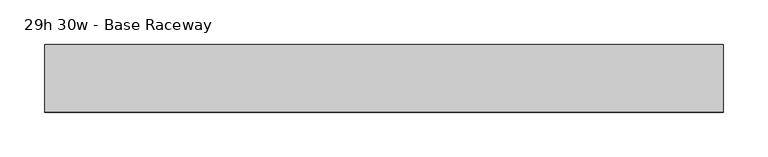
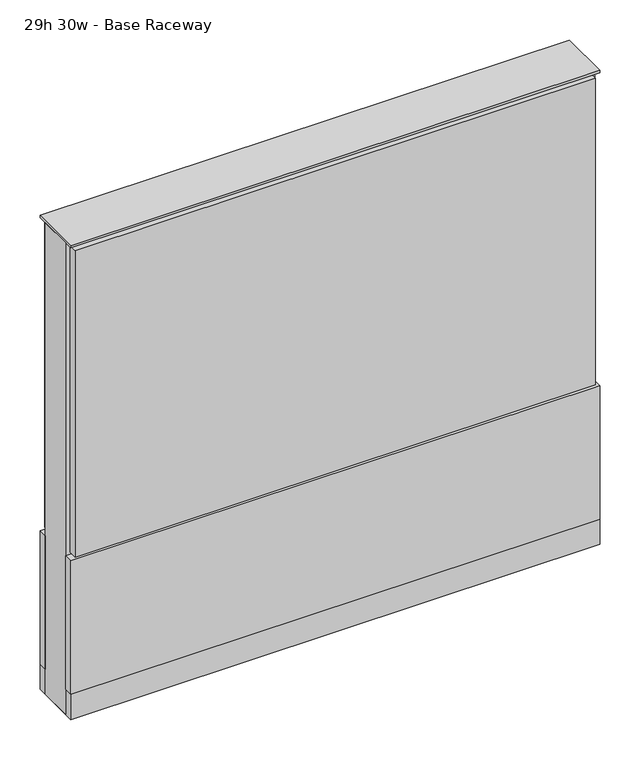
"""IFC4 building model written with IfcOpenShell, lengths in millimetres: furniture geometry, 29h 30w - Base Raceway."""

from ifc_helpers import new_model, si_unit, point, frame, frame_2d, origin, origin_with_axes, place, context, project, spatial, polyline, circle_curve, trimmed, segment, composite_curve, outline, extrude, source, transform, mapped, element, save


def furniture_29h_30w_base_raceway_bdde2eea(model_context):
    return source(origin(), model_context, "Body", "SweptSolid", [
        extrude(outline(composite_curve([segment(trimmed(circle_curve(frame_2d((307.2402902, 0.0)), 12.7), [point((294.5402902, 0.0))], [point((319.9402902, 0.0))], False, "CARTESIAN"), True, "CONTINUOUS"), segment(trimmed(circle_curve(frame_2d((307.2402902, 0.0)), 12.7), [point((319.9402902, 0.0))], [point((294.5402902, 0.0))], False, "CARTESIAN"), True, "CONTINUOUS")], self_intersect=False)), origin_with_axes(), (0.0, 0.0, 1.0), 12.7),
        extrude(outline(composite_curve([segment(trimmed(circle_curve(frame_2d((-302.3597098, 0.0)), 12.7), [point((-315.0597098, 0.0))], [point((-289.6597098, 0.0))], False, "CARTESIAN"), True, "CONTINUOUS"), segment(trimmed(circle_curve(frame_2d((-302.3597098, 0.0)), 12.7), [point((-289.6597098, 0.0))], [point((-315.0597098, 0.0))], False, "CARTESIAN"), True, "CONTINUOUS")], self_intersect=False)), origin_with_axes(), (0.0, 0.0, 1.0), 12.7),
        extrude(outline(polyline([(377.0902902, 38.1), (377.0902902, 25.4), (-372.2097098, 25.4), (-372.2097098, 38.1), (377.0902902, 38.1)])), frame((0.0, 0.0, 257.175), z_axis=(0.0, 0.0, 1.0), x_axis=(1.0, 0.0, 0.0)), (0.0, 0.0, 1.0), 466.725),
        extrude(outline(polyline([(383.4402902, 38.1), (383.4402902, 25.4), (-378.5597098, 25.4), (-378.5597098, 38.1), (383.4402902, 38.1)])), frame((0.0, 0.0, 50.8), z_axis=(0.0, 0.0, 1.0), x_axis=(1.0, 0.0, 0.0)), (0.0, 0.0, 1.0), 203.2),
        extrude(outline(polyline([(383.4402902, -38.1), (-378.5597098, -38.1), (-378.5597098, -25.4), (383.4402902, -25.4), (383.4402902, -38.1)])), frame((0.0, 0.0, 50.8), z_axis=(0.0, 0.0, 1.0), x_axis=(1.0, 0.0, 0.0)), (0.0, 0.0, 1.0), 203.2),
        extrude(outline(polyline([(377.0902902, -38.1), (-372.2097098, -38.1), (-372.2097098, -25.4), (377.0902902, -25.4), (377.0902902, -38.1)])), frame((0.0, 0.0, 257.175), z_axis=(0.0, 0.0, 1.0), x_axis=(1.0, 0.0, 0.0)), (0.0, 0.0, 1.0), 466.725),
        extrude(outline(polyline([(383.4402902, 25.4), (383.4402902, -25.4), (-378.5597098, -25.4), (-378.5597098, 25.4), (383.4402902, 25.4)])), frame((0.0, 0.0, 12.7), z_axis=(0.0, 0.0, 1.0), x_axis=(1.0, 0.0, 0.0)), (0.0, 0.0, 1.0), 717.55),
        extrude(outline(polyline([(-378.5597098, -38.1), (-378.5597098, 38.1), (383.4402902, 38.1), (383.4402902, -38.1), (-378.5597098, -38.1)])), frame((0.0, 0.0, 12.7), z_axis=(0.0, 0.0, 1.0), x_axis=(1.0, 0.0, 0.0)), (0.0, 0.0, 1.0), 38.1),
        extrude(outline(polyline([(-378.5597098, -38.1), (-378.5597098, 38.1), (383.4402902, 38.1), (383.4402902, -38.1), (-378.5597098, -38.1)])), frame((0.0, 0.0, 730.25), z_axis=(0.0, 0.0, 1.0), x_axis=(1.0, 0.0, 0.0)), (0.0, 0.0, 1.0), 3.175),
    ])


if __name__ == "__main__":
    model = new_model("IFC4")
    model_context = context("Model", 3, world=origin())
    ifc_project = project(units=[si_unit("LENGTHUNIT", "METRE", prefix="MILLI")], contexts=[model_context])
    site = spatial("IfcSite", under=ifc_project)
    building = spatial("IfcBuilding", under=site)
    placement = place(None, origin())
    furniture_29h_30w_base_raceway_shape = furniture_29h_30w_base_raceway_bdde2eea(model_context)
    element("IfcFurniture", 1, ObjectType="29h 30w - Base Raceway", at=placement, inside=building, context=model_context, shape_type="MappedRepresentation", body=[
        mapped(furniture_29h_30w_base_raceway_shape, transform((0.0, 0.0, 0.0), x_axis=(1.0, 0.0, 0.0), y_axis=(0.0, 1.0, 0.0), z_axis=(0.0, 0.0, 1.0))),
    ])
    save(model, "model.ifc")
